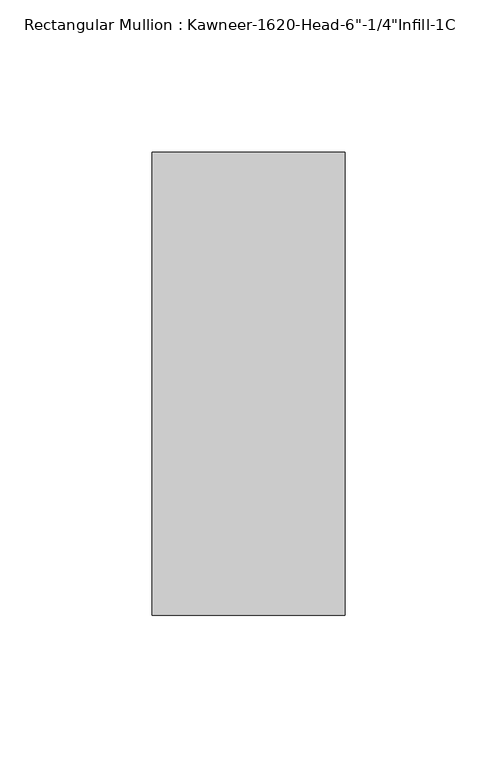
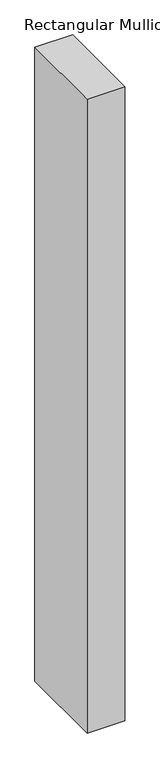
"""IFC4 building model written with IfcOpenShell, lengths in millimetres: member geometry."""

import ifcopenshell
import ifcopenshell.guid

model = None  # the IFC model being written
_history = None  # IfcOwnerHistory: only IFC2X3 demands one
_inside = {}  # id of a spatial element -> (the spatial element, [elements in it])
_under = {}  # id of a project, library or spatial element -> (it, [spatial elements below it])
_declared = {}  # id of a project -> (the project, [libraries it declares])
_typed = {}  # id of a type object -> (the type object, [elements of that type])
_made_of = {}  # id of a material, layer set ... -> (it, [elements and type objects made of it])


def new_model(schema):
    """Start an empty IFC model of exactly this schema.

    Asked for "IFC4X3", IfcOpenShell would pick the latest addendum, in which some entities
    have other attributes; the version numbers below select the first issue.
    IFC2X3 requires an IfcOwnerHistory on every rooted entity: one is made here for all.
    """
    global model, _history
    if schema == "IFC4X3":
        model = ifcopenshell.file(schema_version=(4, 3, 0, 0))
    else:
        model = ifcopenshell.file(schema=schema)
    _inside.clear()
    _under.clear()
    _declared.clear()
    _typed.clear()
    _made_of.clear()
    _history = None
    if model.schema == "IFC2X3":
        org = make("IfcOrganization", Name="unknown")
        user = make(
            "IfcPersonAndOrganization",
            ThePerson=make("IfcPerson", FamilyName="unknown"),
            TheOrganization=org,
        )
        app = make(
            "IfcApplication",
            ApplicationDeveloper=org,
            Version="unknown",
            ApplicationFullName="unknown",
            ApplicationIdentifier="unknown",
        )
        _history = make(
            "IfcOwnerHistory",
            OwningUser=user,
            OwningApplication=app,
            ChangeAction="ADDED",
            CreationDate=0,
        )
    return model


def make(cls, **values):
    """One entity of the class cls with the attributes given. An attribute that is None is left unset."""
    return model.create_entity(
        cls, **{name: value for name, value in values.items() if value is not None}
    )


def rooted(cls, **values):
    """An entity with a GlobalId (a new one), such as an element, a storey or a relation."""
    return make(cls, GlobalId=ifcopenshell.guid.new(), OwnerHistory=_history, **values)


def si_unit(unit_type, name, prefix=None):
    """IfcSIUnit, for example si_unit("LENGTHUNIT", "METRE", prefix="MILLI")."""
    return make("IfcSIUnit", UnitType=unit_type, Prefix=prefix, Name=name)


def assignment(units):
    """IfcUnitAssignment: the units of a project."""
    return None if units is None else make("IfcUnitAssignment", Units=units)


def point(xyz):
    """IfcCartesianPoint."""
    return None if xyz is None else make("IfcCartesianPoint", Coordinates=xyz)


def direction(xyz):
    """IfcDirection."""
    return None if xyz is None else make("IfcDirection", DirectionRatios=xyz)


def frame(location, z_axis=None, x_axis=None):
    """IfcAxis2Placement3D, a coordinate frame: its origin and axes. An axis left out is left unset."""
    return make(
        "IfcAxis2Placement3D",
        Location=point(location),
        Axis=direction(z_axis),
        RefDirection=direction(x_axis),
    )


def origin():
    """The frame at (0, 0, 0) with its axes left unset."""
    return frame((0.0, 0.0, 0.0))


def place(relative_to, where):
    """IfcLocalPlacement: puts the frame where relative to a parent placement (None: the world)."""
    return make(
        "IfcLocalPlacement", PlacementRelTo=relative_to, RelativePlacement=where
    )


def context(
    kind, dimensions, precision=None, world=None, true_north=None, identifier=None
):
    """IfcGeometricRepresentationContext, for example the 3D "Model" context."""
    return make(
        "IfcGeometricRepresentationContext",
        ContextIdentifier=identifier,
        ContextType=kind,
        CoordinateSpaceDimension=dimensions,
        Precision=precision,
        WorldCoordinateSystem=world,
        TrueNorth=true_north,
    )


def project(units=None, contexts=None):
    """IfcProject with its units and contexts."""
    return rooted(
        "IfcProject",
        Name="project",
        RepresentationContexts=contexts,
        UnitsInContext=assignment(units),
    )


def spatial(cls, under=None, at=None, **own):
    """A site, building, storey or space (cls), placed at a placement, below another one or the project."""
    s = rooted(cls, ObjectPlacement=at, **own)
    if under is not None:
        _under.setdefault(under.id(), (under, []))[1].append(s)
    return s


def polyline(points):
    """IfcPolyline through the points."""
    return make("IfcPolyline", Points=[point(p) for p in points])


def outline(outer, holes=None, kind="AREA"):
    """IfcArbitraryClosedProfileDef: a profile drawn as a closed curve; with holes, ...WithVoids."""
    if holes is None:
        return make("IfcArbitraryClosedProfileDef", ProfileType=kind, OuterCurve=outer)
    return make(
        "IfcArbitraryProfileDefWithVoids",
        ProfileType=kind,
        OuterCurve=outer,
        InnerCurves=holes,
    )


def extrude(swept, where, along, depth):
    """IfcExtrudedAreaSolid: the profile swept, set in the frame where, extruded along a direction by depth."""
    return make(
        "IfcExtrudedAreaSolid",
        SweptArea=swept,
        Position=where,
        ExtrudedDirection=direction(along),
        Depth=depth,
    )


def shape(context_of_items, identifier, shape_type, items):
    """IfcShapeRepresentation: the items that make up one representation, for example the "Body"."""
    return make(
        "IfcShapeRepresentation",
        ContextOfItems=context_of_items,
        RepresentationIdentifier=identifier,
        RepresentationType=shape_type,
        Items=items,
    )


def source(mapping_origin, context_of_items, identifier, shape_type, items):
    """IfcRepresentationMap: a shape defined once, which mapped items show again and again."""
    return make(
        "IfcRepresentationMap",
        MappingOrigin=mapping_origin,
        MappedRepresentation=shape(context_of_items, identifier, shape_type, items),
    )


def transform(
    local_origin,
    x_axis=None,
    y_axis=None,
    z_axis=None,
    scale=None,
    scale2=None,
    scale3=None,
    uniform=True,
):
    """IfcCartesianTransformationOperator3D, or its non-uniform kind. x_axis, y_axis, z_axis: its Axis1, 2, 3."""
    if uniform:
        return make(
            "IfcCartesianTransformationOperator3D",
            Axis1=direction(x_axis),
            Axis2=direction(y_axis),
            LocalOrigin=point(local_origin),
            Scale=scale,
            Axis3=direction(z_axis),
        )
    return make(
        "IfcCartesianTransformationOperator3DnonUniform",
        Axis1=direction(x_axis),
        Axis2=direction(y_axis),
        LocalOrigin=point(local_origin),
        Scale=scale,
        Axis3=direction(z_axis),
        Scale2=scale2,
        Scale3=scale3,
    )


def mapped(mapping_source, mapping_target):
    """IfcMappedItem: shows the shape of a source again, moved by a transform."""
    return make(
        "IfcMappedItem", MappingSource=mapping_source, MappingTarget=mapping_target
    )


def made_of(thing, what):
    """Note that an element or type object is made of a material, layer set ...; save() writes the relation."""
    if what is not None:
        _made_of.setdefault(what.id(), (what, []))[1].append(thing)
    return thing


def element(
    cls,
    number,
    at=None,
    inside=None,
    cuts=None,
    type_object=None,
    material=None,
    context=None,
    identifier="Body",
    shape_type=None,
    held_by="IfcProductDefinitionShape",
    body=None,
    shapes=None,
    **own,
):
    """One element of the class cls, such as IfcWall. Its Tag is "e" and its number.

    at: its placement. inside: the storey or other place that contains it. cuts: it is an
    opening in that element (IfcRelVoidsElement). A single representation is given by context,
    identifier, shape_type and body (its items); several are given by shapes. held_by: the class
    of the entity that holds the representations. save() writes the other relations.
    """
    e = rooted(cls, Tag="e%d" % number, ObjectPlacement=at, **own)
    if body is not None:
        shapes = [shape(context, identifier, shape_type, body)]
    if shapes is not None:
        e.Representation = make(held_by, Representations=shapes)
    if inside is not None:
        _inside.setdefault(inside.id(), (inside, []))[1].append(e)
    if cuts is not None:
        rooted(
            "IfcRelVoidsElement", RelatingBuildingElement=cuts, RelatedOpeningElement=e
        )
    if type_object is not None:
        _typed.setdefault(type_object.id(), (type_object, []))[1].append(e)
    return made_of(e, material)


def aggregate(whole, parts):
    """IfcRelAggregates: a whole, such as a stair, and the parts it consists of."""
    return rooted("IfcRelAggregates", RelatingObject=whole, RelatedObjects=parts)


def save(model, path):
    """Write the relations noted so far, then the file.

    IfcRelAggregates (storeys below a building ...), IfcRelContainedInSpatialStructure (elements
    in a storey), IfcRelDefinesByType, IfcRelAssociatesMaterial and IfcRelDeclares: one each for
    every whole, place, type object, material and project.
    """
    for whole, parts in _under.values():
        aggregate(whole, parts)
    for where, things in _inside.values():
        rooted(
            "IfcRelContainedInSpatialStructure",
            RelatedElements=things,
            RelatingStructure=where,
        )
    for kind, things in _typed.values():
        rooted("IfcRelDefinesByType", RelatedObjects=things, RelatingType=kind)
    for what, things in _made_of.values():
        rooted("IfcRelAssociatesMaterial", RelatedObjects=things, RelatingMaterial=what)
    for by, libraries in _declared.values():
        rooted("IfcRelDeclares", RelatingContext=by, RelatedDefinitions=libraries)
    model.write(path)


def member_9211aeb0(model_context):
    return source(origin(), model_context, "Body", "SweptSolid", [
        extrude(outline(polyline([(-63.5, 28.575), (0.0, 28.575), (0.0, -123.825), (-63.5, -123.825), (-63.5, 28.575)])), frame((0.0, 0.0, -1128.7125), z_axis=(0.0, 0.0, 1.0), x_axis=(1.0, 0.0, 0.0)), (0.0, 0.0, 1.0), 1128.7125),
    ])


if __name__ == "__main__":
    model = new_model("IFC4")
    model_context = context("Model", 3, world=origin())
    ifc_project = project(units=[si_unit("LENGTHUNIT", "METRE", prefix="MILLI")], contexts=[model_context])
    site = spatial("IfcSite", under=ifc_project)
    building = spatial("IfcBuilding", under=site)
    placement = place(None, origin())
    member_shape = member_9211aeb0(model_context)
    element("IfcMember", 1, ObjectType="Rectangular Mullion : Kawneer-1620-Head-6\"-1/4\"Infill-1C", at=placement, inside=building, context=model_context, shape_type="MappedRepresentation", body=[
        mapped(member_shape, transform((0.0, 0.0, 0.0), x_axis=(1.0, 0.0, 0.0), y_axis=(0.0, 1.0, 0.0), z_axis=(0.0, 0.0, 1.0))),
    ])
    save(model, "model.ifc")
